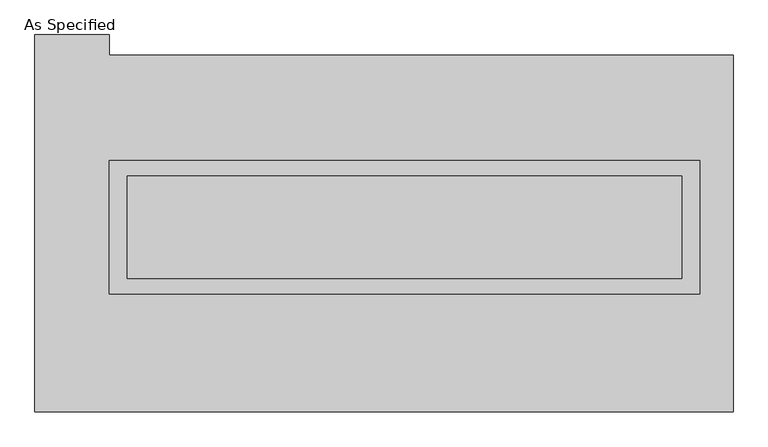
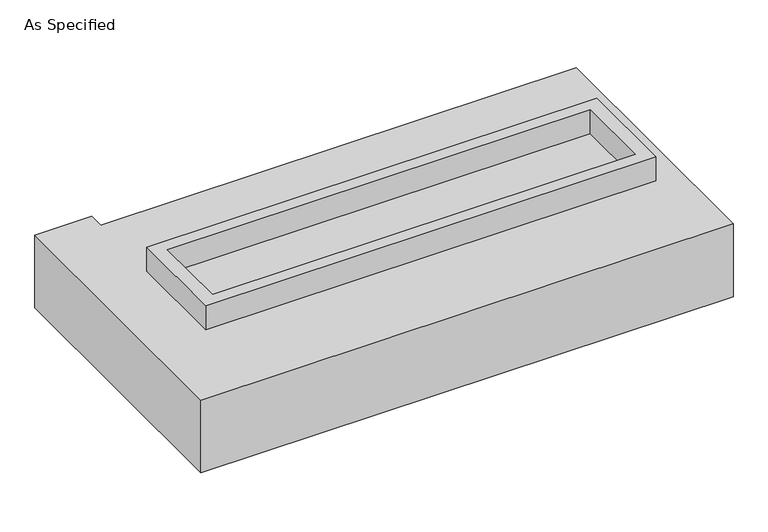
"""IFC4 building model written with IfcOpenShell, lengths in millimetres: proxy geometry, As Specified."""

from ifc_helpers import new_model, si_unit, frame, origin, place, context, project, spatial, polyline, outline, extrude, source, transform, mapped, element, save


def as_specified_88b40d69(model_context):
    return source(origin(), model_context, "Body", "SweptSolid", [
        extrude(outline(polyline([(1460.5, 361.95), (1460.5, -298.45), (-1460.5, -298.45), (-1460.5, 361.95), (1460.5, 361.95)]), holes=[polyline([(1371.6, 285.75), (-1371.6, 285.75), (-1371.6, -222.25), (1371.6, -222.25), (1371.6, 285.75)])]), frame((0.0, 0.0, -688.975), z_axis=(0.0, 0.0, 1.0), x_axis=(1.0, 0.0, 0.0)), (0.0, 0.0, 1.0), 165.1),
        extrude(outline(polyline([(1460.5, 361.95), (1460.5, -298.45), (-1460.5, -298.45), (-1460.5, 361.95), (1460.5, 361.95)]), holes=[polyline([(1371.6, 285.75), (-1371.6, 285.75), (-1371.6, -222.25), (1371.6, -222.25), (1371.6, 285.75)])]), frame((0.0, 0.0, -25.4), z_axis=(0.0, 0.0, 1.0), x_axis=(1.0, 0.0, 0.0)), (0.0, 0.0, 1.0), 165.1),
        extrude(outline(polyline([(1371.6, 285.75), (1371.6, -222.25), (-1371.6, -222.25), (-1371.6, 285.75), (1371.6, 285.75)])), frame((0.0, 0.0, -523.875), z_axis=(0.0, 0.0, 1.0), x_axis=(1.0, 0.0, 0.0)), (0.0, 0.0, 1.0), 4.9609375),
        extrude(outline(polyline([(1371.6, 285.75), (1371.6, -222.25), (-1371.6, -222.25), (-1371.6, 285.75), (1371.6, 285.75)])), frame((0.0, 0.0, -30.3609375), z_axis=(0.0, 0.0, 1.0), x_axis=(1.0, 0.0, 0.0)), (0.0, 0.0, 1.0), 4.9609375),
        extrude(outline(polyline([(1625.6, -882.65), (-1828.8, -882.65), (-1828.8, 984.25), (-1460.5, 984.25), (-1460.5, 882.65), (1625.6, 882.65), (1625.6, -882.65)]), holes=[polyline([(-1460.5, 361.95), (-1460.5, -298.45), (1460.5, -298.45), (1460.5, 361.95), (-1460.5, 361.95)])]), frame((0.0, 0.0, -523.875), z_axis=(0.0, 0.0, 1.0), x_axis=(1.0, 0.0, 0.0)), (0.0, 0.0, 1.0), 498.475),
    ])


if __name__ == "__main__":
    model = new_model("IFC4")
    model_context = context("Model", 3, world=origin())
    ifc_project = project(units=[si_unit("LENGTHUNIT", "METRE", prefix="MILLI")], contexts=[model_context])
    site = spatial("IfcSite", under=ifc_project)
    building = spatial("IfcBuilding", under=site)
    placement = place(None, origin())
    as_specified_shape = as_specified_88b40d69(model_context)
    element("IfcBuildingElementProxy", 1, Name="As Specified", ObjectType="As Specified", at=placement, inside=building, context=model_context, shape_type="MappedRepresentation", body=[
        mapped(as_specified_shape, transform((0.0, 0.0, 0.0), x_axis=(1.0, 0.0, 0.0), y_axis=(0.0, 1.0, 0.0), z_axis=(0.0, 0.0, 1.0))),
    ])
    save(model, "model.ifc")
